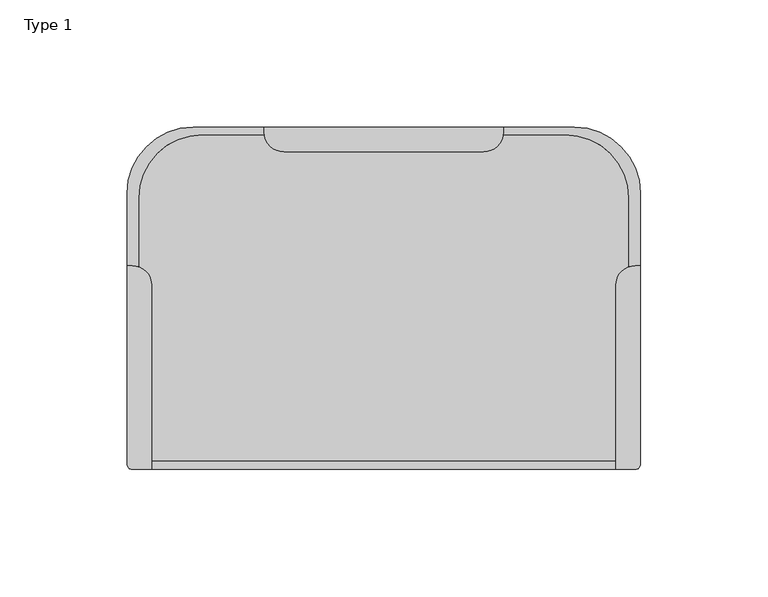
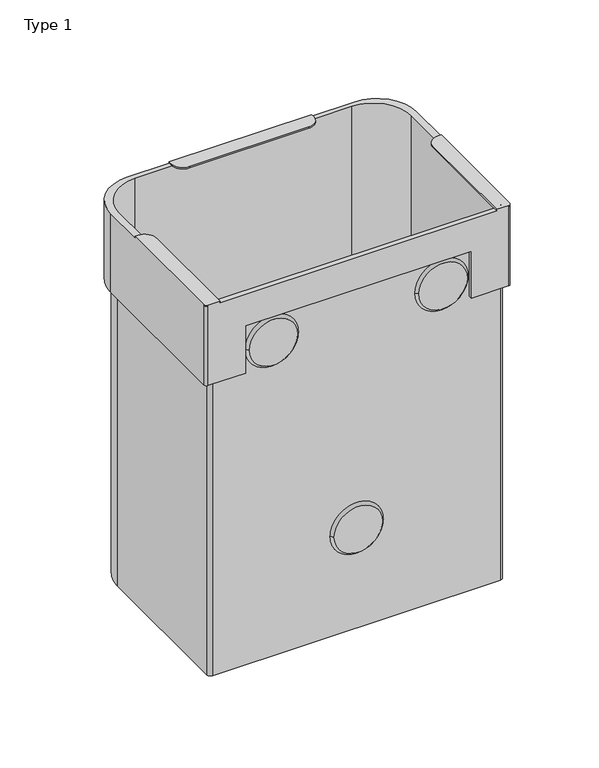
"""IFC4 building model written with IfcOpenShell, lengths in millimetres: furniture geometry, Type 1."""

import ifcopenshell
import ifcopenshell.guid

model = None  # the IFC model being written
_history = None  # IfcOwnerHistory: only IFC2X3 demands one
_inside = {}  # id of a spatial element -> (the spatial element, [elements in it])
_under = {}  # id of a project, library or spatial element -> (it, [spatial elements below it])
_declared = {}  # id of a project -> (the project, [libraries it declares])
_typed = {}  # id of a type object -> (the type object, [elements of that type])
_made_of = {}  # id of a material, layer set ... -> (it, [elements and type objects made of it])


def new_model(schema):
    """Start an empty IFC model of exactly this schema.

    Asked for "IFC4X3", IfcOpenShell would pick the latest addendum, in which some entities
    have other attributes; the version numbers below select the first issue.
    IFC2X3 requires an IfcOwnerHistory on every rooted entity: one is made here for all.
    """
    global model, _history
    if schema == "IFC4X3":
        model = ifcopenshell.file(schema_version=(4, 3, 0, 0))
    else:
        model = ifcopenshell.file(schema=schema)
    _inside.clear()
    _under.clear()
    _declared.clear()
    _typed.clear()
    _made_of.clear()
    _history = None
    if model.schema == "IFC2X3":
        org = make("IfcOrganization", Name="unknown")
        user = make(
            "IfcPersonAndOrganization",
            ThePerson=make("IfcPerson", FamilyName="unknown"),
            TheOrganization=org,
        )
        app = make(
            "IfcApplication",
            ApplicationDeveloper=org,
            Version="unknown",
            ApplicationFullName="unknown",
            ApplicationIdentifier="unknown",
        )
        _history = make(
            "IfcOwnerHistory",
            OwningUser=user,
            OwningApplication=app,
            ChangeAction="ADDED",
            CreationDate=0,
        )
    return model


def make(cls, **values):
    """One entity of the class cls with the attributes given. An attribute that is None is left unset."""
    return model.create_entity(
        cls, **{name: value for name, value in values.items() if value is not None}
    )


def rooted(cls, **values):
    """An entity with a GlobalId (a new one), such as an element, a storey or a relation."""
    return make(cls, GlobalId=ifcopenshell.guid.new(), OwnerHistory=_history, **values)


def si_unit(unit_type, name, prefix=None):
    """IfcSIUnit, for example si_unit("LENGTHUNIT", "METRE", prefix="MILLI")."""
    return make("IfcSIUnit", UnitType=unit_type, Prefix=prefix, Name=name)


def assignment(units):
    """IfcUnitAssignment: the units of a project."""
    return None if units is None else make("IfcUnitAssignment", Units=units)


def point(xyz):
    """IfcCartesianPoint."""
    return None if xyz is None else make("IfcCartesianPoint", Coordinates=xyz)


def direction(xyz):
    """IfcDirection."""
    return None if xyz is None else make("IfcDirection", DirectionRatios=xyz)


def frame(location, z_axis=None, x_axis=None):
    """IfcAxis2Placement3D, a coordinate frame: its origin and axes. An axis left out is left unset."""
    return make(
        "IfcAxis2Placement3D",
        Location=point(location),
        Axis=direction(z_axis),
        RefDirection=direction(x_axis),
    )


def frame_2d(location, x_axis=None):
    """IfcAxis2Placement2D, a coordinate frame in the plane: its origin and x axis."""
    return make(
        "IfcAxis2Placement2D", Location=point(location), RefDirection=direction(x_axis)
    )


def origin():
    """The frame at (0, 0, 0) with its axes left unset."""
    return frame((0.0, 0.0, 0.0))


def place(relative_to, where):
    """IfcLocalPlacement: puts the frame where relative to a parent placement (None: the world)."""
    return make(
        "IfcLocalPlacement", PlacementRelTo=relative_to, RelativePlacement=where
    )


def context(
    kind, dimensions, precision=None, world=None, true_north=None, identifier=None
):
    """IfcGeometricRepresentationContext, for example the 3D "Model" context."""
    return make(
        "IfcGeometricRepresentationContext",
        ContextIdentifier=identifier,
        ContextType=kind,
        CoordinateSpaceDimension=dimensions,
        Precision=precision,
        WorldCoordinateSystem=world,
        TrueNorth=true_north,
    )


def project(units=None, contexts=None):
    """IfcProject with its units and contexts."""
    return rooted(
        "IfcProject",
        Name="project",
        RepresentationContexts=contexts,
        UnitsInContext=assignment(units),
    )


def spatial(cls, under=None, at=None, **own):
    """A site, building, storey or space (cls), placed at a placement, below another one or the project."""
    s = rooted(cls, ObjectPlacement=at, **own)
    if under is not None:
        _under.setdefault(under.id(), (under, []))[1].append(s)
    return s


def polyline(points):
    """IfcPolyline through the points."""
    return make("IfcPolyline", Points=[point(p) for p in points])


def circle_curve(where, radius):
    """IfcCircle in the frame where."""
    return make("IfcCircle", Position=where, Radius=radius)


def trimmed(basis, trim1, trim2, sense, master):
    """IfcTrimmedCurve: the piece of a basis curve between two trims."""
    return make(
        "IfcTrimmedCurve",
        BasisCurve=basis,
        Trim1=trim1,
        Trim2=trim2,
        SenseAgreement=sense,
        MasterRepresentation=master,
    )


def segment(curve, same_sense, transition):
    """IfcCompositeCurveSegment."""
    return make(
        "IfcCompositeCurveSegment",
        Transition=transition,
        SameSense=same_sense,
        ParentCurve=curve,
    )


def composite_curve(segments, self_intersect=None):
    """IfcCompositeCurve: segments joined end to end."""
    return make("IfcCompositeCurve", Segments=segments, SelfIntersect=self_intersect)


def outline(outer, holes=None, kind="AREA"):
    """IfcArbitraryClosedProfileDef: a profile drawn as a closed curve; with holes, ...WithVoids."""
    if holes is None:
        return make("IfcArbitraryClosedProfileDef", ProfileType=kind, OuterCurve=outer)
    return make(
        "IfcArbitraryProfileDefWithVoids",
        ProfileType=kind,
        OuterCurve=outer,
        InnerCurves=holes,
    )


def extrude(swept, where, along, depth):
    """IfcExtrudedAreaSolid: the profile swept, set in the frame where, extruded along a direction by depth."""
    return make(
        "IfcExtrudedAreaSolid",
        SweptArea=swept,
        Position=where,
        ExtrudedDirection=direction(along),
        Depth=depth,
    )


def shape(context_of_items, identifier, shape_type, items):
    """IfcShapeRepresentation: the items that make up one representation, for example the "Body"."""
    return make(
        "IfcShapeRepresentation",
        ContextOfItems=context_of_items,
        RepresentationIdentifier=identifier,
        RepresentationType=shape_type,
        Items=items,
    )


def source(mapping_origin, context_of_items, identifier, shape_type, items):
    """IfcRepresentationMap: a shape defined once, which mapped items show again and again."""
    return make(
        "IfcRepresentationMap",
        MappingOrigin=mapping_origin,
        MappedRepresentation=shape(context_of_items, identifier, shape_type, items),
    )


def transform(
    local_origin,
    x_axis=None,
    y_axis=None,
    z_axis=None,
    scale=None,
    scale2=None,
    scale3=None,
    uniform=True,
):
    """IfcCartesianTransformationOperator3D, or its non-uniform kind. x_axis, y_axis, z_axis: its Axis1, 2, 3."""
    if uniform:
        return make(
            "IfcCartesianTransformationOperator3D",
            Axis1=direction(x_axis),
            Axis2=direction(y_axis),
            LocalOrigin=point(local_origin),
            Scale=scale,
            Axis3=direction(z_axis),
        )
    return make(
        "IfcCartesianTransformationOperator3DnonUniform",
        Axis1=direction(x_axis),
        Axis2=direction(y_axis),
        LocalOrigin=point(local_origin),
        Scale=scale,
        Axis3=direction(z_axis),
        Scale2=scale2,
        Scale3=scale3,
    )


def mapped(mapping_source, mapping_target):
    """IfcMappedItem: shows the shape of a source again, moved by a transform."""
    return make(
        "IfcMappedItem", MappingSource=mapping_source, MappingTarget=mapping_target
    )


def made_of(thing, what):
    """Note that an element or type object is made of a material, layer set ...; save() writes the relation."""
    if what is not None:
        _made_of.setdefault(what.id(), (what, []))[1].append(thing)
    return thing


def element(
    cls,
    number,
    at=None,
    inside=None,
    cuts=None,
    type_object=None,
    material=None,
    context=None,
    identifier="Body",
    shape_type=None,
    held_by="IfcProductDefinitionShape",
    body=None,
    shapes=None,
    **own,
):
    """One element of the class cls, such as IfcWall. Its Tag is "e" and its number.

    at: its placement. inside: the storey or other place that contains it. cuts: it is an
    opening in that element (IfcRelVoidsElement). A single representation is given by context,
    identifier, shape_type and body (its items); several are given by shapes. held_by: the class
    of the entity that holds the representations. save() writes the other relations.
    """
    e = rooted(cls, Tag="e%d" % number, ObjectPlacement=at, **own)
    if body is not None:
        shapes = [shape(context, identifier, shape_type, body)]
    if shapes is not None:
        e.Representation = make(held_by, Representations=shapes)
    if inside is not None:
        _inside.setdefault(inside.id(), (inside, []))[1].append(e)
    if cuts is not None:
        rooted(
            "IfcRelVoidsElement", RelatingBuildingElement=cuts, RelatedOpeningElement=e
        )
    if type_object is not None:
        _typed.setdefault(type_object.id(), (type_object, []))[1].append(e)
    return made_of(e, material)


def aggregate(whole, parts):
    """IfcRelAggregates: a whole, such as a stair, and the parts it consists of."""
    return rooted("IfcRelAggregates", RelatingObject=whole, RelatedObjects=parts)


def save(model, path):
    """Write the relations noted so far, then the file.

    IfcRelAggregates (storeys below a building ...), IfcRelContainedInSpatialStructure (elements
    in a storey), IfcRelDefinesByType, IfcRelAssociatesMaterial and IfcRelDeclares: one each for
    every whole, place, type object, material and project.
    """
    for whole, parts in _under.values():
        aggregate(whole, parts)
    for where, things in _inside.values():
        rooted(
            "IfcRelContainedInSpatialStructure",
            RelatedElements=things,
            RelatingStructure=where,
        )
    for kind, things in _typed.values():
        rooted("IfcRelDefinesByType", RelatedObjects=things, RelatingType=kind)
    for what, things in _made_of.values():
        rooted("IfcRelAssociatesMaterial", RelatedObjects=things, RelatingMaterial=what)
    for by, libraries in _declared.values():
        rooted("IfcRelDeclares", RelatingContext=by, RelatedDefinitions=libraries)
    model.write(path)


def plane_surface(at):
    """IfcPlane: the flat surface through the origin of the frame at, square to its z axis."""
    return make("IfcPlane", Position=at)


def cylinder_surface(at, radius):
    """IfcCylindricalSurface: all points at the distance radius from the z axis of the frame at."""
    return make("IfcCylindricalSurface", Position=at, Radius=radius)


def revolved_surface(curve, axis_point, axis_direction):
    """IfcSurfaceOfRevolution: the curve turned about the line through axis_point along axis_direction."""
    return make(
        "IfcSurfaceOfRevolution",
        SweptCurve=make("IfcArbitraryOpenProfileDef", ProfileType="CURVE", Curve=curve),
        AxisPosition=make("IfcAxis1Placement", Location=point(axis_point), Axis=direction(axis_direction)),
    )


def advanced_brep(points, edges, surfaces, faces):
    """IfcAdvancedBrep: a solid bounded by faces that lie on surfaces and meet in shared edges.

    An edge is (start, end): straight between two places in points (the first is 0);
    or (start, end, curve); or (start, end, curve, False) where it runs against its curve.
    A face is (place in surfaces, loops), or (place, loops, False) where it looks against
    its surface's normal. A loop lists edges by number (the first is 1), with a minus sign
    where the edge is run from its end to its start. The first loop is the outer one.
    """
    corners = [point(p) for p in points]
    vertices = [make("IfcVertexPoint", VertexGeometry=c) for c in corners]
    made = []
    for start, end, *more in edges:
        made.append(
            make(
                "IfcEdgeCurve",
                EdgeStart=vertices[start],
                EdgeEnd=vertices[end],
                EdgeGeometry=more[0] if more else make("IfcPolyline", Points=[corners[start], corners[end]]),
                SameSense=more[1] if len(more) > 1 else True,
            )
        )
    hull = []
    for where, loops, *sense in faces:
        bounds = []
        for j, loop in enumerate(loops):
            ring = [make("IfcOrientedEdge", EdgeElement=made[abs(k) - 1], Orientation=k > 0) for k in loop]
            bounds.append(
                make(
                    "IfcFaceOuterBound" if j == 0 else "IfcFaceBound",
                    Bound=make("IfcEdgeLoop", EdgeList=ring),
                    Orientation=True,
                )
            )
        hull.append(make("IfcAdvancedFace", Bounds=bounds, FaceSurface=surfaces[where], SameSense=sense[0] if sense else True))
    return make("IfcAdvancedBrep", Outer=make("IfcClosedShell", CfsFaces=hull))


def type_1_9fc8f42a(model_context):
    return source(origin(), model_context, "Body", "SolidModel", [
        advanced_brep(
        [(226.0000124, 184.5749979, 259.9999911), (200.0000124, 210.5749979, 259.9999911), (172.0000381, 210.5749979, 259.9999911), (172.0000381, 208.5750086, 259.9999911), (171.9348225, 207.5749746, 259.9999911), (196.5000023, 207.5749746, 259.9999911), (221.5000023, 182.5749746, 259.9999911), (221.5000023, 155.6486777, 259.9999911), (224.0319039, 156.0749815, 259.9999911), (226.0000124, 156.0749815, 259.9999911), (49.9999876, 210.5749979, 259.9999911), (23.9999876, 184.5749979, 259.9999911), (23.9999876, 156.0749815, 259.9999911), (25.9680961, 156.0749815, 259.9999911), (28.5000045, 155.6486753, 259.9999911), (28.5000045, 182.5749746, 259.9999911), (53.5000045, 207.5749746, 259.9999911), (78.0652502, 207.5749746, 259.9999911), (78.0000345, 208.5750086, 259.9999911), (78.0000345, 210.5749979, 259.9999911), (216.3000231, 79.1750126, 259.9999911), (33.6999769, 79.1750126, 259.9999911), (33.6999769, 76.0, 259.9999911), (216.3000231, 76.0, 259.9999911), (25.9999876, 76.0, 205.0000052), (23.9999876, 78.0, 205.0000052), (23.9999876, 184.5749979, 205.0000052), (49.9999876, 210.5749979, 205.0000052), (200.0000124, 210.5749979, 205.0000052), (226.0000124, 184.5749979, 205.0000052), (226.0000124, 78.0, 205.0000052), (224.0000124, 76.0, 205.0000052), (199.5000311, 76.0, 205.0000052), (199.5000311, 78.1750126, 205.0000052), (220.0150098, 78.1750126, 205.0000052), (222.5000023, 80.6600051, 205.0000052), (222.5000023, 182.5749746, 205.0000052), (196.5000023, 208.5749746, 205.0000052), (53.5000045, 208.5749746, 205.0000052), (27.5000045, 182.5749746, 205.0000052), (27.5000045, 80.6750126, 205.0000052), (30.0000045, 78.1750126, 205.0000052), (50.5000416, 78.1750126, 205.0000052), (50.5000416, 76.0, 205.0000052), (25.9999876, 76.0, 259.9999911), (50.5000416, 76.0, 237.9166733), (199.5000311, 76.0, 237.9166733), (224.0000124, 76.0, 259.9999911), (224.0000124, 76.0, 261.0000027), (216.3000231, 76.0, 261.0000027), (33.6999769, 76.0, 261.0000027), (25.9999876, 76.0, 261.0000027), (226.0000124, 78.0, 259.9999911), (226.0000124, 156.0749815, 261.0000027), (226.0000124, 78.0, 261.0000027), (78.0000345, 210.5749979, 261.0000027), (172.0000381, 210.5749979, 261.0000027), (23.9999876, 78.0, 259.9999911), (23.9999876, 78.0, 261.0000027), (23.9999876, 156.0749815, 261.0000027), (50.5000416, 78.1750126, 237.9166733), (199.5000311, 78.1750126, 237.9166733), (222.5000023, 182.5749746, 0.0), (222.5000023, 80.6600051, 0.0), (220.0150098, 78.1750126, 0.0), (30.0000045, 78.1750126, 0.0), (27.5000045, 80.6750126, 0.0), (27.5000045, 182.5749746, 0.0), (53.5000045, 208.5749746, 0.0), (196.5000023, 208.5749746, 0.0), (221.5000023, 182.5749746, 0.0), (196.5000023, 207.5749746, 0.0), (53.5000045, 207.5749746, 0.0), (28.5000045, 182.5749746, 0.0), (28.5000045, 80.6750126, 0.0), (30.0000045, 79.1750126, 0.0), (220.0150098, 79.1750126, 0.0), (221.5000023, 80.6600051, 0.0), (221.5000023, 80.6600051, 259.9999911), (220.0150098, 79.1750126, 259.9999911), (30.0000045, 79.1750126, 259.9999911), (28.5000045, 80.6750126, 259.9999911), (224.0319039, 156.0749815, 261.0000027), (216.3000231, 148.3431007, 261.0000027), (78.0000345, 208.5750086, 261.0000027), (85.7000345, 200.8750086, 261.0000027), (164.3000381, 200.8750086, 261.0000027), (172.0000381, 208.5750086, 261.0000027), (33.6999769, 148.3431007, 261.0000027), (25.9680961, 156.0749815, 261.0000027), (164.3000381, 200.8750086, 259.9999911), (85.7000345, 200.8750086, 259.9999911), (216.3000231, 148.3431007, 259.9999911), (33.6999769, 148.3431007, 259.9999911)],
        [
            (0, 1, circle_curve(frame((200.0000124, 184.5749979, 259.9999911), z_axis=(0.0, 0.0, 1.0), x_axis=(-1.0, 0.0, 0.0)), 26.0)),
            (1, 2),
            (2, 3),
            (3, 4, circle_curve(frame((164.3000381, 208.5750086, 259.9999911), z_axis=(0.0, 0.0, -1.0), x_axis=(-1.0, 0.0, 0.0)), 7.7)),
            (4, 5),
            (5, 6, circle_curve(frame((196.5000023, 182.5749746, 259.9999911), z_axis=(0.0, 0.0, -1.0), x_axis=(-1.0, 0.0, 0.0)), 25.0)),
            (6, 7),
            (7, 8, circle_curve(frame((224.0319039, 148.3431007, 259.9999911), z_axis=(0.0, 0.0, -1.0), x_axis=(-1.0, 0.0, 0.0)), 7.7318808)),
            (8, 9),
            (9, 0),
            (10, 11, circle_curve(frame((49.9999876, 184.5749979, 259.9999911), z_axis=(0.0, 0.0, 1.0), x_axis=(-1.0, 0.0, 0.0)), 26.0)),
            (11, 12),
            (12, 13),
            (13, 14, circle_curve(frame((25.9680961, 148.3431007, 259.9999911), z_axis=(0.0, 0.0, -1.0), x_axis=(1.0, 0.0, 0.0)), 7.7318808)),
            (14, 15),
            (15, 16, circle_curve(frame((53.5000045, 182.5749746, 259.9999911), z_axis=(0.0, 0.0, -1.0), x_axis=(-1.0, 0.0, 0.0)), 25.0)),
            (16, 17),
            (17, 18, circle_curve(frame((85.7000345, 208.5750086, 259.9999911), z_axis=(0.0, 0.0, -1.0), x_axis=(-1.0, 0.0, 0.0)), 7.7)),
            (18, 19),
            (19, 10),
            (20, 21),
            (21, 22),
            (22, 23),
            (23, 20),
            (24, 25, circle_curve(frame((25.9999876, 78.0, 205.0000052), z_axis=(0.0, 0.0, -1.0), x_axis=(-1.0, 0.0, 0.0)), 2.0)),
            (25, 26),
            (26, 27, circle_curve(frame((49.9999876, 184.5749979, 205.0000052), z_axis=(0.0, 0.0, -1.0), x_axis=(-1.0, 0.0, 0.0)), 26.0)),
            (27, 28),
            (28, 29, circle_curve(frame((200.0000124, 184.5749979, 205.0000052), z_axis=(0.0, 0.0, -1.0), x_axis=(-1.0, 0.0, 0.0)), 26.0)),
            (29, 30),
            (30, 31, circle_curve(frame((224.0000124, 78.0, 205.0000052), z_axis=(0.0, 0.0, -1.0), x_axis=(-1.0, 0.0, 0.0)), 2.0)),
            (31, 32),
            (32, 33),
            (33, 34),
            (34, 35, circle_curve(frame((220.0150098, 80.6600051, 205.0000052), z_axis=(0.0, 0.0, 1.0), x_axis=(-1.0, 0.0, 0.0)), 2.4849925)),
            (35, 36),
            (36, 37, circle_curve(frame((196.5000023, 182.5749746, 205.0000052), z_axis=(0.0, 0.0, 1.0), x_axis=(-1.0, 0.0, 0.0)), 26.0)),
            (37, 38),
            (38, 39, circle_curve(frame((53.5000045, 182.5749746, 205.0000052), z_axis=(0.0, 0.0, 1.0), x_axis=(-1.0, 0.0, 0.0)), 26.0)),
            (39, 40),
            (40, 41, circle_curve(frame((30.0000045, 80.6750126, 205.0000052), z_axis=(0.0, 0.0, 1.0), x_axis=(-1.0, 0.0, 0.0)), 2.5)),
            (41, 42),
            (42, 43),
            (43, 24),
            (44, 24),
            (43, 45),
            (45, 46),
            (46, 32),
            (31, 47),
            (47, 48),
            (48, 49),
            (49, 23),
            (22, 50),
            (50, 51),
            (51, 44),
            (30, 52),
            (52, 47, circle_curve(frame((224.0000124, 78.0, 259.9999911), z_axis=(0.0, 0.0, -1.0), x_axis=(-1.0, 0.0, 0.0)), 2.0)),
            (29, 0),
            (9, 53),
            (53, 54),
            (54, 52),
            (28, 1),
            (27, 10),
            (19, 55),
            (55, 56),
            (56, 2),
            (26, 11),
            (25, 57),
            (57, 58),
            (58, 59),
            (59, 12),
            (44, 57, circle_curve(frame((25.9999876, 78.0, 259.9999911), z_axis=(0.0, 0.0, -1.0), x_axis=(-1.0, 0.0, 0.0)), 2.0)),
            (45, 60),
            (60, 61),
            (61, 46),
            (61, 33),
            (42, 60),
            (62, 63),
            (63, 64, circle_curve(frame((220.0150098, 80.6600051, 0.0), z_axis=(0.0, 0.0, -1.0), x_axis=(-1.0, 0.0, 0.0)), 2.4849925)),
            (64, 65),
            (65, 66, circle_curve(frame((30.0000045, 80.6750126, 0.0), z_axis=(0.0, 0.0, -1.0), x_axis=(-1.0, 0.0, 0.0)), 2.5)),
            (66, 67),
            (67, 68, circle_curve(frame((53.5000045, 182.5749746, 0.0), z_axis=(0.0, 0.0, -1.0), x_axis=(-1.0, 0.0, 0.0)), 26.0)),
            (68, 69),
            (69, 62, circle_curve(frame((196.5000023, 182.5749746, 0.0), z_axis=(0.0, 0.0, -1.0), x_axis=(-1.0, 0.0, 0.0)), 26.0)),
            (70, 71, circle_curve(frame((196.5000023, 182.5749746, 0.0), z_axis=(0.0, 0.0, 1.0), x_axis=(-1.0, 0.0, 0.0)), 25.0)),
            (71, 72),
            (72, 73, circle_curve(frame((53.5000045, 182.5749746, 0.0), z_axis=(0.0, 0.0, 1.0), x_axis=(-1.0, 0.0, 0.0)), 25.0)),
            (73, 74),
            (74, 75, circle_curve(frame((30.0000045, 80.6750126, 0.0), z_axis=(0.0, 0.0, 1.0), x_axis=(-1.0, 0.0, 0.0)), 1.5)),
            (75, 76),
            (76, 77, circle_curve(frame((220.0150098, 80.6600051, 0.0), z_axis=(0.0, 0.0, 1.0), x_axis=(-1.0, 0.0, 0.0)), 1.4849925)),
            (77, 70),
            (69, 37),
            (36, 62),
            (68, 38),
            (67, 39),
            (66, 40),
            (65, 41),
            (64, 34),
            (63, 35),
            (77, 78),
            (78, 7),
            (6, 70),
            (76, 79),
            (79, 78, circle_curve(frame((220.0150098, 80.6600051, 259.9999911), z_axis=(0.0, 0.0, 1.0), x_axis=(-1.0, 0.0, 0.0)), 1.4849925)),
            (75, 80),
            (80, 21),
            (20, 79),
            (74, 81),
            (81, 80, circle_curve(frame((30.0000045, 80.6750126, 259.9999911), z_axis=(0.0, 0.0, 1.0), x_axis=(-1.0, 0.0, 0.0)), 1.5)),
            (73, 15),
            (14, 81),
            (72, 16),
            (71, 5),
            (4, 17),
            (48, 54, circle_curve(frame((224.0000124, 78.0, 261.0000027), z_axis=(0.0, 0.0, 1.0), x_axis=(-1.0, 0.0, 0.0)), 2.0)),
            (53, 82),
            (82, 83, circle_curve(frame((224.0319039, 148.3431007, 261.0000027), z_axis=(0.0, 0.0, 1.0), x_axis=(-1.0, 0.0, 0.0)), 7.7318808)),
            (83, 49),
            (55, 84),
            (84, 85, circle_curve(frame((85.7000345, 208.5750086, 261.0000027), z_axis=(0.0, 0.0, 1.0), x_axis=(-1.0, 0.0, 0.0)), 7.7)),
            (85, 86),
            (86, 87, circle_curve(frame((164.3000381, 208.5750086, 261.0000027), z_axis=(0.0, 0.0, 1.0), x_axis=(-1.0, 0.0, 0.0)), 7.7)),
            (87, 56),
            (50, 88),
            (88, 89, circle_curve(frame((25.9680961, 148.3431007, 261.0000027), z_axis=(0.0, 0.0, 1.0), x_axis=(1.0, 0.0, 0.0)), 7.7318808)),
            (89, 59),
            (58, 51, circle_curve(frame((25.9999876, 78.0, 261.0000027), z_axis=(0.0, 0.0, 1.0), x_axis=(1.0, 0.0, 0.0)), 2.0)),
            (90, 91),
            (91, 17, circle_curve(frame((85.7000345, 208.5750086, 259.9999911), z_axis=(0.0, 0.0, -1.0), x_axis=(-1.0, 0.0, 0.0)), 7.7)),
            (4, 90, circle_curve(frame((164.3000381, 208.5750086, 259.9999911), z_axis=(0.0, 0.0, -1.0), x_axis=(-1.0, 0.0, 0.0)), 7.7)),
            (92, 7, circle_curve(frame((224.0319039, 148.3431007, 259.9999911), z_axis=(0.0, 0.0, -1.0), x_axis=(-1.0, 0.0, 0.0)), 7.7318808)),
            (20, 92),
            (93, 21),
            (14, 93, circle_curve(frame((25.9680961, 148.3431007, 259.9999911), z_axis=(0.0, 0.0, -1.0), x_axis=(1.0, 0.0, 0.0)), 7.7318808)),
            (18, 84),
            (91, 85),
            (90, 86),
            (3, 87),
            (8, 82),
            (92, 83),
            (93, 88),
            (13, 89),
        ],
        [
            plane_surface(frame((222.5000023, 80.6750053, 259.9999911), z_axis=(0.0, 0.0, 1.0), x_axis=(0.0, -1.0, 0.0))),
            plane_surface(frame((222.5000023, 80.6750053, 205.0000052), z_axis=(0.0, 0.0, -1.0), x_axis=(0.0, 1.0, 0.0))),
            plane_surface(frame((25.9999876, 76.0, 259.9999911), z_axis=(0.0, -1.0, 0.0), x_axis=(0.0, 0.0, -1.0))),
            cylinder_surface(frame((224.0000124, 78.0, 447.0), z_axis=(0.0, 0.0, 1.0), x_axis=(-1.0, 0.0, 0.0)), 2.0),
            plane_surface(frame((226.0000124, 78.0, 259.9999911), z_axis=(1.0, 0.0, 0.0), x_axis=(0.0, 0.0, -1.0))),
            cylinder_surface(frame((200.0000124, 184.5749979, 447.0), z_axis=(0.0, 0.0, 1.0), x_axis=(-1.0, 0.0, 0.0)), 26.0),
            plane_surface(frame((200.0000124, 210.5749979, 259.9999911), z_axis=(0.0, 1.0, 0.0), x_axis=(0.0, 0.0, -1.0))),
            cylinder_surface(frame((49.9999876, 184.5749979, 447.0), z_axis=(0.0, 0.0, 1.0), x_axis=(-1.0, 0.0, 0.0)), 26.0),
            plane_surface(frame((23.9999876, 184.5749979, 259.9999911), z_axis=(-1.0, 0.0, 0.0), x_axis=(0.0, 0.0, -1.0))),
            cylinder_surface(frame((25.9999876, 78.0, 447.0), z_axis=(0.0, 0.0, 1.0), x_axis=(-1.0, 0.0, 0.0)), 2.0),
            plane_surface(frame((50.5000416, 96.7003791, 237.9166733), z_axis=(0.0, 0.0, -1.0), x_axis=(0.0, -1.0, 0.0))),
            plane_surface(frame((199.5000311, 96.7003791, 237.9166733), z_axis=(-1.0, 0.0, 0.0), x_axis=(0.0, -1.0, 0.0))),
            plane_surface(frame((50.5000416, 96.7003791, 196.8594105), z_axis=(1.0, 0.0, 0.0), x_axis=(0.0, -1.0, 0.0))),
            plane_surface(frame((170.5000023, 182.5749746, 0.0), z_axis=(0.0, 0.0, -1.0), x_axis=(0.0, 1.0, 0.0))),
            cylinder_surface(frame((196.5000023, 182.5749746, 0.0), z_axis=(0.0, 0.0, 1.0), x_axis=(-1.0, 0.0, 0.0)), 26.0),
            plane_surface(frame((196.5000023, 208.5749746, 259.9999911), z_axis=(0.0, 1.0, 0.0), x_axis=(0.0, 0.0, -1.0))),
            cylinder_surface(frame((53.5000045, 182.5749746, 0.0), z_axis=(0.0, 0.0, 1.0), x_axis=(-1.0, 0.0, 0.0)), 26.0),
            plane_surface(frame((27.5000045, 182.5749746, 259.9999911), z_axis=(-1.0, 0.0, 0.0), x_axis=(0.0, 0.0, -1.0))),
            cylinder_surface(frame((30.0000045, 80.6750126, 0.0), z_axis=(0.0, 0.0, 1.0), x_axis=(-1.0, 0.0, 0.0)), 2.5),
            plane_surface(frame((30.0000045, 78.1750126, 259.9999911), z_axis=(0.0, -1.0, 0.0), x_axis=(0.0, 0.0, -1.0))),
            cylinder_surface(frame((220.0150098, 80.6600051, 0.0), z_axis=(0.0, 0.0, 1.0), x_axis=(-1.0, 0.0, 0.0)), 2.4849925),
            plane_surface(frame((222.5000023, 80.6600051, 259.9999911), z_axis=(1.0, 0.0, 0.0), x_axis=(0.0, 0.0, -1.0))),
            plane_surface(frame((221.5000023, 182.5749746, 259.9999911), z_axis=(-1.0, 0.0, 0.0), x_axis=(0.0, 0.0, -1.0))),
            revolved_surface(polyline([(218.5300173, 80.6600051, 0.0), (218.5300173, 80.6600051, 259.9999911)]), (220.0150098, 80.6600051, 447.0), (0.0, 0.0, -1.0)),
            plane_surface(frame((220.0150098, 79.1750126, 259.9999911), z_axis=(0.0, 1.0, 0.0), x_axis=(0.0, 0.0, -1.0))),
            revolved_surface(polyline([(28.5000045, 80.6750126, 0.0), (28.5000045, 80.6750126, 259.9999911)]), (30.0000045, 80.6750126, 447.0), (0.0, 0.0, -1.0)),
            plane_surface(frame((28.5000045, 80.6750126, 259.9999911), z_axis=(1.0, 0.0, 0.0), x_axis=(0.0, 0.0, -1.0))),
            revolved_surface(polyline([(28.500004500000003, 182.5749746, 0.0), (28.500004500000003, 182.5749746, 259.9999911)]), (53.5000045, 182.5749746, 447.0), (0.0, 0.0, -1.0)),
            plane_surface(frame((53.5000045, 207.5749746, 259.9999911), z_axis=(0.0, -1.0, 0.0), x_axis=(0.0, 0.0, -1.0))),
            revolved_surface(polyline([(171.5000023, 182.5749746, 0.0), (171.5000023, 182.5749746, 259.9999911)]), (196.5000023, 182.5749746, 447.0), (0.0, 0.0, -1.0)),
            plane_surface(frame((78.0000345, 210.5749979, 261.0000027), z_axis=(0.0, 0.0, 1.0), x_axis=(0.0, -1.0, 0.0))),
            plane_surface(frame((78.0000345, 210.5749979, 259.9999911), z_axis=(0.0, 0.0, -1.0), x_axis=(0.0, 1.0, 0.0))),
            plane_surface(frame((78.0000345, 210.5749979, 261.0000027), z_axis=(-1.0, 0.0, 0.0), x_axis=(0.0, 0.0, -1.0))),
            cylinder_surface(frame((85.7000345, 208.5750086, 259.9999911), z_axis=(0.0, 0.0, 1.0), x_axis=(-1.0, 0.0, 0.0)), 7.7),
            plane_surface(frame((85.7000345, 200.8750086, 261.0000027), z_axis=(0.0, -1.0, 0.0), x_axis=(0.0, 0.0, -1.0))),
            cylinder_surface(frame((164.3000381, 208.5750086, 259.9999911), z_axis=(0.0, 0.0, 1.0), x_axis=(-1.0, 0.0, 0.0)), 7.7),
            plane_surface(frame((172.0000381, 208.5750086, 261.0000027), z_axis=(1.0, 0.0, 0.0), x_axis=(0.0, 0.0, -1.0))),
            plane_surface(frame((226.0000124, 156.0749815, 261.0000027), z_axis=(0.0, 1.0, 0.0), x_axis=(0.0, 0.0, -1.0))),
            cylinder_surface(frame((224.0319039, 148.3431007, 447.0), z_axis=(0.0, 0.0, 1.0), x_axis=(-1.0, 0.0, 0.0)), 7.7318808),
            plane_surface(frame((216.3000231, 148.3431007, 261.0000027), z_axis=(-1.0, 0.0, 0.0), x_axis=(0.0, 0.0, -1.0))),
            plane_surface(frame((33.6999769, 76.0, 261.0000027), z_axis=(1.0, 0.0, 0.0), x_axis=(0.0, 0.0, -1.0))),
            cylinder_surface(frame((25.9680961, 148.3431007, 447.0), z_axis=(0.0, 0.0, 1.0), x_axis=(1.0, 0.0, 0.0)), 7.7318808),
            plane_surface(frame((25.9680961, 156.0749815, 261.0000027), z_axis=(0.0, 1.0, 0.0), x_axis=(0.0, 0.0, -1.0))),
            cylinder_surface(frame((25.9999876, 78.0, 447.0), z_axis=(0.0, 0.0, 1.0), x_axis=(1.0, 0.0, 0.0)), 2.0),
        ],
        [
            (0, [[1, 2, 3, 4, 5, 6, 7, 8, 9, 10]]),
            (0, [[11, 12, 13, 14, 15, 16, 17, 18, 19, 20]]),
            (0, [[21, 22, 23, 24]]),
            (1, [[25, 26, 27, 28, 29, 30, 31, 32, 33, 34, 35, 36, 37, 38, 39, 40, 41, 42, 43, 44]]),
            (2, [[45, -44, 46, 47, 48, -32, 49, 50, 51, 52, -23, 53, 54, 55]]),
            (3, [[-31, 56, 57, -49]]),
            (4, [[-30, 58, -10, 59, 60, 61, -56]]),
            (5, [[-1, -58, -29, 62]]),
            (6, [[-28, 63, -20, 64, 65, 66, -2, -62]]),
            (7, [[-11, -63, -27, 67]]),
            (8, [[-26, 68, 69, 70, 71, -12, -67]]),
            (9, [[-25, -45, 72, -68]]),
            (10, [[73, 74, 75, -47]]),
            (11, [[-75, 76, -33, -48]]),
            (12, [[-73, -46, -43, 77]]),
            (13, [[78, 79, 80, 81, 82, 83, 84, 85], [86, 87, 88, 89, 90, 91, 92, 93]]),
            (14, [[-85, 94, -37, 95]]),
            (15, [[-84, 96, -38, -94]]),
            (16, [[-83, 97, -39, -96]]),
            (17, [[-82, 98, -40, -97]]),
            (18, [[-81, 99, -41, -98]]),
            (19, [[-80, 100, -34, -76, -74, -77, -42, -99]]),
            (20, [[-79, 101, -35, -100]]),
            (21, [[-78, -95, -36, -101]]),
            (22, [[-93, 102, 103, -7, 104]]),
            (23, [[-92, 105, 106, -102]]),
            (24, [[-91, 107, 108, -21, 109, -105]]),
            (25, [[-90, 110, 111, -107]]),
            (26, [[-89, 112, -15, 113, -110]]),
            (27, [[-16, -112, -88, 114]]),
            (28, [[-87, 115, -5, 116, -17, -114]]),
            (29, [[-6, -115, -86, -104]]),
            (30, [[-51, 117, -60, 118, 119, 120]]),
            (30, [[121, 122, 123, 124, 125, -65]]),
            (30, [[126, 127, 128, -70, 129, -54]]),
            (31, [[130, 131, -116, 132]]),
            (31, [[133, -103, -106, -109, 134]]),
            (31, [[135, -108, -111, -113, 136]]),
            (32, [[-121, -64, -19, 137]]),
            (33, [[-122, -137, -18, -131, 138]]),
            (34, [[-123, -138, -130, 139]]),
            (35, [[-124, -139, -132, -4, 140]]),
            (36, [[-125, -140, -3, -66]]),
            (3, [[-117, -50, -57, -61]]),
            (37, [[-118, -59, -9, 141]]),
            (38, [[-119, -141, -8, -133, 142]]),
            (39, [[-120, -142, -134, -24, -52]]),
            (40, [[-126, -53, -22, -135, 143]]),
            (41, [[-127, -143, -136, -14, 144]]),
            (42, [[-128, -144, -13, -71]]),
            (43, [[-129, -69, -72, -55]]),
        ],
    ),
        extrude(outline(composite_curve([segment(trimmed(circle_curve(frame_2d((220.0150098, 80.6600051)), 1.4849925), [point((221.5000023, 80.6600051))], [point((220.0150098, 79.1750126))], False, "CARTESIAN"), True, "CONTINUOUS"), segment(polyline([(220.0150098, 79.1750126), (30.0000045, 79.1750126)]), True, "CONTINUOUS"), segment(trimmed(circle_curve(frame_2d((30.0000045, 80.6750126)), 1.5), [point((30.0000045, 79.1750126))], [point((28.5000045, 80.6750126))], False, "CARTESIAN"), True, "CONTINUOUS"), segment(polyline([(28.5000045, 80.6750126), (28.5000045, 182.5749746)]), True, "CONTINUOUS"), segment(trimmed(circle_curve(frame_2d((53.5000045, 182.5749746)), 25.0), [point((28.5000045, 182.5749746))], [point((53.5000045, 207.5749746))], False, "CARTESIAN"), True, "CONTINUOUS"), segment(polyline([(53.5000045, 207.5749746), (196.5000023, 207.5749746)]), True, "CONTINUOUS"), segment(trimmed(circle_curve(frame_2d((196.5000023, 182.5749746)), 25.0), [point((196.5000023, 207.5749746))], [point((221.5000023, 182.5749746))], False, "CARTESIAN"), True, "CONTINUOUS"), segment(polyline([(221.5000023, 182.5749746), (221.5000023, 80.6600051)]), True, "CONTINUOUS")], self_intersect=False)), frame((0.0, 0.0, 15.6000005), z_axis=(0.0, 0.0, 1.0), x_axis=(1.0, 0.0, 0.0)), (0.0, 0.0, 1.0), 0.9999991),
        advanced_brep(
        [(140.8750008, 76.0, 69.9999992), (109.1249992, 76.0, 69.9999992), (143.050002, 78.1750126, 69.9999992), (106.949998, 78.1750126, 69.9999992)],
        [
            (0, 1, circle_curve(frame((125.0, 76.0, 69.9999992), z_axis=(0.0, -1.0, 0.0), x_axis=(1.0, 0.0, 0.0)), 15.8750008)),
            (1, 0, circle_curve(frame((125.0, 76.0, 69.9999992), z_axis=(0.0, -1.0, 0.0), x_axis=(-1.0, 0.0, 0.0)), 15.8750008)),
            (2, 3, circle_curve(frame((125.0, 78.1750126, 69.9999992), z_axis=(0.0, 1.0, 0.0), x_axis=(-1.0, 0.0, 0.0)), 18.050002)),
            (3, 2, circle_curve(frame((125.0, 78.1750126, 69.9999992), z_axis=(0.0, 1.0, 0.0), x_axis=(1.0, 0.0, 0.0)), 18.050002)),
            (2, 0),
            (1, 3),
        ],
        [
            plane_surface(frame((125.0, 76.0, 69.9999992), z_axis=(0.0, -1.0, 0.0), x_axis=(0.0, 0.0, -1.0))),
            plane_surface(frame((125.0, 78.1750126, 69.9999992), z_axis=(0.0, 1.0, 0.0), x_axis=(0.0, 0.0, -1.0))),
            revolved_surface(polyline([(109.12499924902521, 76.0, 69.9999992), (106.949998, 78.1750126, 69.9999992)]), (125.0, 60.1249164, 69.9999992), (0.0, 1.0, 0.0)),
            revolved_surface(polyline([(140.8750007509748, 76.0, 69.9999992), (143.050002, 78.1750126, 69.9999992)]), (125.0, 60.1249164, 69.9999992), (0.0, 1.0, 0.0)),
        ],
        [
            (0, [[1, 2]]),
            (1, [[3, 4]]),
            (2, [[-3, 5, -2, 6]]),
            (3, [[-4, -6, -1, -5]]),
        ],
    ),
        advanced_brep(
        [(53.1249983, 76.0, 219.999998), (84.8749998, 76.0, 219.999998), (50.9499971, 78.1750126, 219.999998), (87.0500011, 78.1750126, 219.999998)],
        [
            (0, 1, circle_curve(frame((68.9999991, 76.0, 219.999998), z_axis=(0.0, -1.0, 0.0), x_axis=(-1.0, 0.0, 0.0)), 15.8750008)),
            (1, 0, circle_curve(frame((68.9999991, 76.0, 219.999998), z_axis=(0.0, -1.0, 0.0), x_axis=(1.0, 0.0, 0.0)), 15.8750008)),
            (2, 3, circle_curve(frame((68.9999991, 78.1750126, 219.999998), z_axis=(0.0, 1.0, 0.0), x_axis=(1.0, 0.0, 0.0)), 18.050002)),
            (3, 2, circle_curve(frame((68.9999991, 78.1750126, 219.999998), z_axis=(0.0, 1.0, 0.0), x_axis=(-1.0, 0.0, 0.0)), 18.050002)),
            (3, 1),
            (0, 2),
        ],
        [
            plane_surface(frame((68.9999991, 76.0, 219.999998), z_axis=(0.0, -1.0, 0.0), x_axis=(0.0, 0.0, 1.0))),
            plane_surface(frame((68.9999991, 78.1750126, 219.999998), z_axis=(0.0, 1.0, 0.0), x_axis=(0.0, 0.0, 1.0))),
            revolved_surface(polyline([(53.12499834902521, 76.0, 219.999998), (50.9499971, 78.1750126, 219.999998)]), (68.9999991, 60.1249164, 219.999998), (0.0, 1.0, 0.0)),
            revolved_surface(polyline([(84.87499985097479, 76.0, 219.999998), (87.0500011, 78.1750126, 219.999998)]), (68.9999991, 60.1249164, 219.999998), (0.0, 1.0, 0.0)),
        ],
        [
            (0, [[1, 2]]),
            (1, [[3, 4]]),
            (2, [[-4, 5, -1, 6]]),
            (3, [[-3, -6, -2, -5]]),
        ],
    ),
        advanced_brep(
        [(196.8750017, 76.0, 219.999998), (165.1250002, 76.0, 219.999998), (199.0500029, 78.1750126, 219.999998), (162.9499989, 78.1750126, 219.999998)],
        [
            (0, 1, circle_curve(frame((181.0000009, 76.0, 219.999998), z_axis=(0.0, -1.0, 0.0), x_axis=(1.0, 0.0, 0.0)), 15.8750008)),
            (1, 0, circle_curve(frame((181.0000009, 76.0, 219.999998), z_axis=(0.0, -1.0, 0.0), x_axis=(-1.0, 0.0, 0.0)), 15.8750008)),
            (2, 3, circle_curve(frame((181.0000009, 78.1750126, 219.999998), z_axis=(0.0, 1.0, 0.0), x_axis=(-1.0, 0.0, 0.0)), 18.050002)),
            (3, 2, circle_curve(frame((181.0000009, 78.1750126, 219.999998), z_axis=(0.0, 1.0, 0.0), x_axis=(1.0, 0.0, 0.0)), 18.050002)),
            (2, 0),
            (1, 3),
        ],
        [
            plane_surface(frame((181.0000009, 76.0, 219.999998), z_axis=(0.0, -1.0, 0.0), x_axis=(0.0, 0.0, -1.0))),
            plane_surface(frame((181.0000009, 78.1750126, 219.999998), z_axis=(0.0, 1.0, 0.0), x_axis=(0.0, 0.0, -1.0))),
            revolved_surface(polyline([(165.1250001490252, 76.0, 219.999998), (162.9499989, 78.1750126, 219.999998)]), (181.0000009, 60.1249164, 219.999998), (0.0, 1.0, 0.0)),
            revolved_surface(polyline([(196.8750016509748, 76.0, 219.999998), (199.0500029, 78.1750126, 219.999998)]), (181.0000009, 60.1249164, 219.999998), (0.0, 1.0, 0.0)),
        ],
        [
            (0, [[1, 2]]),
            (1, [[3, 4]]),
            (2, [[-3, 5, -2, 6]]),
            (3, [[-4, -6, -1, -5]]),
        ],
    ),
    ])


if __name__ == "__main__":
    model = new_model("IFC4")
    model_context = context("Model", 3, world=origin())
    ifc_project = project(units=[si_unit("LENGTHUNIT", "METRE", prefix="MILLI")], contexts=[model_context])
    site = spatial("IfcSite", under=ifc_project)
    building = spatial("IfcBuilding", under=site)
    placement = place(None, origin())
    type_1_shape = type_1_9fc8f42a(model_context)
    element("IfcFurniture", 1, ObjectType="Type 1", at=placement, inside=building, context=model_context, shape_type="MappedRepresentation", body=[
        mapped(type_1_shape, transform((0.0, 0.0, 0.0), x_axis=(1.0, 0.0, 0.0), y_axis=(0.0, 1.0, 0.0), z_axis=(0.0, 0.0, 1.0))),
    ])
    save(model, "model.ifc")
